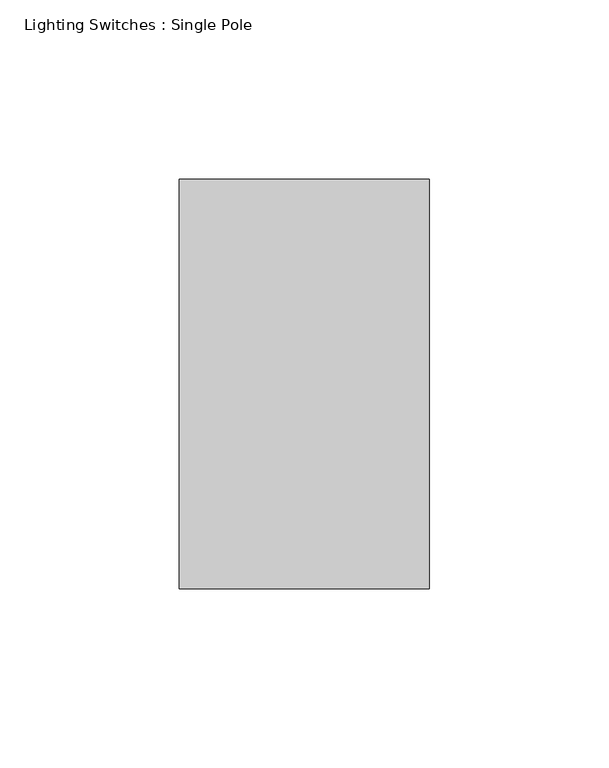
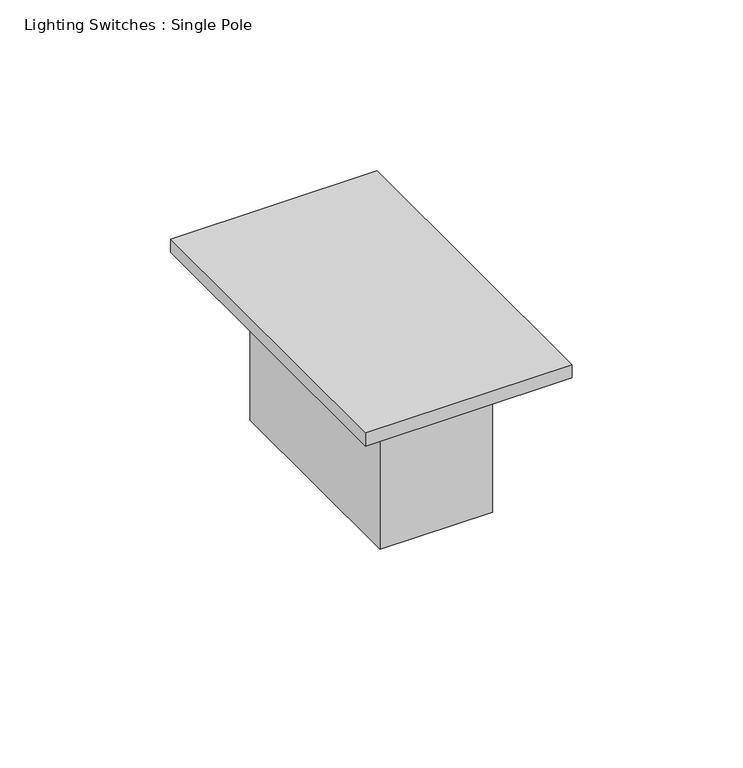
"""IFC4 building model written with IfcOpenShell, lengths in millimetres: switching device geometry, Lighting Switches : Single Pole."""

import ifcopenshell
import ifcopenshell.guid

model = None  # the IFC model being written
_history = None  # IfcOwnerHistory: only IFC2X3 demands one
_inside = {}  # id of a spatial element -> (the spatial element, [elements in it])
_under = {}  # id of a project, library or spatial element -> (it, [spatial elements below it])
_declared = {}  # id of a project -> (the project, [libraries it declares])
_typed = {}  # id of a type object -> (the type object, [elements of that type])
_made_of = {}  # id of a material, layer set ... -> (it, [elements and type objects made of it])


def new_model(schema):
    """Start an empty IFC model of exactly this schema.

    Asked for "IFC4X3", IfcOpenShell would pick the latest addendum, in which some entities
    have other attributes; the version numbers below select the first issue.
    IFC2X3 requires an IfcOwnerHistory on every rooted entity: one is made here for all.
    """
    global model, _history
    if schema == "IFC4X3":
        model = ifcopenshell.file(schema_version=(4, 3, 0, 0))
    else:
        model = ifcopenshell.file(schema=schema)
    _inside.clear()
    _under.clear()
    _declared.clear()
    _typed.clear()
    _made_of.clear()
    _history = None
    if model.schema == "IFC2X3":
        org = make("IfcOrganization", Name="unknown")
        user = make(
            "IfcPersonAndOrganization",
            ThePerson=make("IfcPerson", FamilyName="unknown"),
            TheOrganization=org,
        )
        app = make(
            "IfcApplication",
            ApplicationDeveloper=org,
            Version="unknown",
            ApplicationFullName="unknown",
            ApplicationIdentifier="unknown",
        )
        _history = make(
            "IfcOwnerHistory",
            OwningUser=user,
            OwningApplication=app,
            ChangeAction="ADDED",
            CreationDate=0,
        )
    return model


def make(cls, **values):
    """One entity of the class cls with the attributes given. An attribute that is None is left unset."""
    return model.create_entity(
        cls, **{name: value for name, value in values.items() if value is not None}
    )


def rooted(cls, **values):
    """An entity with a GlobalId (a new one), such as an element, a storey or a relation."""
    return make(cls, GlobalId=ifcopenshell.guid.new(), OwnerHistory=_history, **values)


def si_unit(unit_type, name, prefix=None):
    """IfcSIUnit, for example si_unit("LENGTHUNIT", "METRE", prefix="MILLI")."""
    return make("IfcSIUnit", UnitType=unit_type, Prefix=prefix, Name=name)


def assignment(units):
    """IfcUnitAssignment: the units of a project."""
    return None if units is None else make("IfcUnitAssignment", Units=units)


def point(xyz):
    """IfcCartesianPoint."""
    return None if xyz is None else make("IfcCartesianPoint", Coordinates=xyz)


def direction(xyz):
    """IfcDirection."""
    return None if xyz is None else make("IfcDirection", DirectionRatios=xyz)


def frame(location, z_axis=None, x_axis=None):
    """IfcAxis2Placement3D, a coordinate frame: its origin and axes. An axis left out is left unset."""
    return make(
        "IfcAxis2Placement3D",
        Location=point(location),
        Axis=direction(z_axis),
        RefDirection=direction(x_axis),
    )


def origin():
    """The frame at (0, 0, 0) with its axes left unset."""
    return frame((0.0, 0.0, 0.0))


def origin_with_axes():
    """The frame at (0, 0, 0) with the z axis (0, 0, 1) and the x axis (1, 0, 0) written out."""
    return frame((0.0, 0.0, 0.0), z_axis=(0.0, 0.0, 1.0), x_axis=(1.0, 0.0, 0.0))


def place(relative_to, where):
    """IfcLocalPlacement: puts the frame where relative to a parent placement (None: the world)."""
    return make(
        "IfcLocalPlacement", PlacementRelTo=relative_to, RelativePlacement=where
    )


def context(
    kind, dimensions, precision=None, world=None, true_north=None, identifier=None
):
    """IfcGeometricRepresentationContext, for example the 3D "Model" context."""
    return make(
        "IfcGeometricRepresentationContext",
        ContextIdentifier=identifier,
        ContextType=kind,
        CoordinateSpaceDimension=dimensions,
        Precision=precision,
        WorldCoordinateSystem=world,
        TrueNorth=true_north,
    )


def project(units=None, contexts=None):
    """IfcProject with its units and contexts."""
    return rooted(
        "IfcProject",
        Name="project",
        RepresentationContexts=contexts,
        UnitsInContext=assignment(units),
    )


def spatial(cls, under=None, at=None, **own):
    """A site, building, storey or space (cls), placed at a placement, below another one or the project."""
    s = rooted(cls, ObjectPlacement=at, **own)
    if under is not None:
        _under.setdefault(under.id(), (under, []))[1].append(s)
    return s


def polyline(points):
    """IfcPolyline through the points."""
    return make("IfcPolyline", Points=[point(p) for p in points])


def outline(outer, holes=None, kind="AREA"):
    """IfcArbitraryClosedProfileDef: a profile drawn as a closed curve; with holes, ...WithVoids."""
    if holes is None:
        return make("IfcArbitraryClosedProfileDef", ProfileType=kind, OuterCurve=outer)
    return make(
        "IfcArbitraryProfileDefWithVoids",
        ProfileType=kind,
        OuterCurve=outer,
        InnerCurves=holes,
    )


def extrude(swept, where, along, depth):
    """IfcExtrudedAreaSolid: the profile swept, set in the frame where, extruded along a direction by depth."""
    return make(
        "IfcExtrudedAreaSolid",
        SweptArea=swept,
        Position=where,
        ExtrudedDirection=direction(along),
        Depth=depth,
    )


def shape(context_of_items, identifier, shape_type, items):
    """IfcShapeRepresentation: the items that make up one representation, for example the "Body"."""
    return make(
        "IfcShapeRepresentation",
        ContextOfItems=context_of_items,
        RepresentationIdentifier=identifier,
        RepresentationType=shape_type,
        Items=items,
    )


def source(mapping_origin, context_of_items, identifier, shape_type, items):
    """IfcRepresentationMap: a shape defined once, which mapped items show again and again."""
    return make(
        "IfcRepresentationMap",
        MappingOrigin=mapping_origin,
        MappedRepresentation=shape(context_of_items, identifier, shape_type, items),
    )


def transform(
    local_origin,
    x_axis=None,
    y_axis=None,
    z_axis=None,
    scale=None,
    scale2=None,
    scale3=None,
    uniform=True,
):
    """IfcCartesianTransformationOperator3D, or its non-uniform kind. x_axis, y_axis, z_axis: its Axis1, 2, 3."""
    if uniform:
        return make(
            "IfcCartesianTransformationOperator3D",
            Axis1=direction(x_axis),
            Axis2=direction(y_axis),
            LocalOrigin=point(local_origin),
            Scale=scale,
            Axis3=direction(z_axis),
        )
    return make(
        "IfcCartesianTransformationOperator3DnonUniform",
        Axis1=direction(x_axis),
        Axis2=direction(y_axis),
        LocalOrigin=point(local_origin),
        Scale=scale,
        Axis3=direction(z_axis),
        Scale2=scale2,
        Scale3=scale3,
    )


def mapped(mapping_source, mapping_target):
    """IfcMappedItem: shows the shape of a source again, moved by a transform."""
    return make(
        "IfcMappedItem", MappingSource=mapping_source, MappingTarget=mapping_target
    )


def made_of(thing, what):
    """Note that an element or type object is made of a material, layer set ...; save() writes the relation."""
    if what is not None:
        _made_of.setdefault(what.id(), (what, []))[1].append(thing)
    return thing


def element(
    cls,
    number,
    at=None,
    inside=None,
    cuts=None,
    type_object=None,
    material=None,
    context=None,
    identifier="Body",
    shape_type=None,
    held_by="IfcProductDefinitionShape",
    body=None,
    shapes=None,
    **own,
):
    """One element of the class cls, such as IfcWall. Its Tag is "e" and its number.

    at: its placement. inside: the storey or other place that contains it. cuts: it is an
    opening in that element (IfcRelVoidsElement). A single representation is given by context,
    identifier, shape_type and body (its items); several are given by shapes. held_by: the class
    of the entity that holds the representations. save() writes the other relations.
    """
    e = rooted(cls, Tag="e%d" % number, ObjectPlacement=at, **own)
    if body is not None:
        shapes = [shape(context, identifier, shape_type, body)]
    if shapes is not None:
        e.Representation = make(held_by, Representations=shapes)
    if inside is not None:
        _inside.setdefault(inside.id(), (inside, []))[1].append(e)
    if cuts is not None:
        rooted(
            "IfcRelVoidsElement", RelatingBuildingElement=cuts, RelatedOpeningElement=e
        )
    if type_object is not None:
        _typed.setdefault(type_object.id(), (type_object, []))[1].append(e)
    return made_of(e, material)


def aggregate(whole, parts):
    """IfcRelAggregates: a whole, such as a stair, and the parts it consists of."""
    return rooted("IfcRelAggregates", RelatingObject=whole, RelatedObjects=parts)


def save(model, path):
    """Write the relations noted so far, then the file.

    IfcRelAggregates (storeys below a building ...), IfcRelContainedInSpatialStructure (elements
    in a storey), IfcRelDefinesByType, IfcRelAssociatesMaterial and IfcRelDeclares: one each for
    every whole, place, type object, material and project.
    """
    for whole, parts in _under.values():
        aggregate(whole, parts)
    for where, things in _inside.values():
        rooted(
            "IfcRelContainedInSpatialStructure",
            RelatedElements=things,
            RelatingStructure=where,
        )
    for kind, things in _typed.values():
        rooted("IfcRelDefinesByType", RelatedObjects=things, RelatingType=kind)
    for what, things in _made_of.values():
        rooted("IfcRelAssociatesMaterial", RelatedObjects=things, RelatingMaterial=what)
    for by, libraries in _declared.values():
        rooted("IfcRelDeclares", RelatingContext=by, RelatedDefinitions=libraries)
    model.write(path)


def lighting_switches_single_pole_10251bba(model_context):
    return source(origin(), model_context, "Body", "SweptSolid", [
        extrude(outline(polyline([(19.05, 38.1), (19.05, -38.1), (-19.05, -38.1), (-19.05, 38.1), (19.05, 38.1)])), frame((0.0, 0.0, -53.975), z_axis=(0.0, 0.0, 1.0), x_axis=(1.0, 0.0, 0.0)), (0.0, 0.0, 1.0), 53.975),
        extrude(outline(polyline([(34.925, 57.15), (34.925, -57.15), (-34.925, -57.15), (-34.925, 57.15), (34.925, 57.15)])), origin_with_axes(), (0.0, 0.0, 1.0), 4.7625),
    ])


if __name__ == "__main__":
    model = new_model("IFC4")
    model_context = context("Model", 3, world=origin())
    ifc_project = project(units=[si_unit("LENGTHUNIT", "METRE", prefix="MILLI")], contexts=[model_context])
    site = spatial("IfcSite", under=ifc_project)
    building = spatial("IfcBuilding", under=site)
    placement = place(None, origin())
    lighting_switches_single_pole_shape = lighting_switches_single_pole_10251bba(model_context)
    element("IfcSwitchingDevice", 1, ObjectType="Lighting Switches : Single Pole", at=placement, inside=building, context=model_context, shape_type="MappedRepresentation", body=[
        mapped(lighting_switches_single_pole_shape, transform((0.0, 0.0, 0.0), x_axis=(1.0, 0.0, 0.0), y_axis=(0.0, 1.0, 0.0), z_axis=(0.0, 0.0, 1.0))),
    ])
    save(model, "model.ifc")
